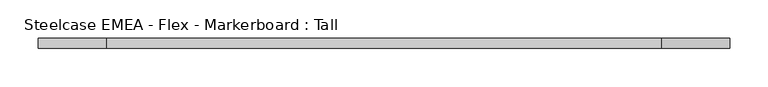
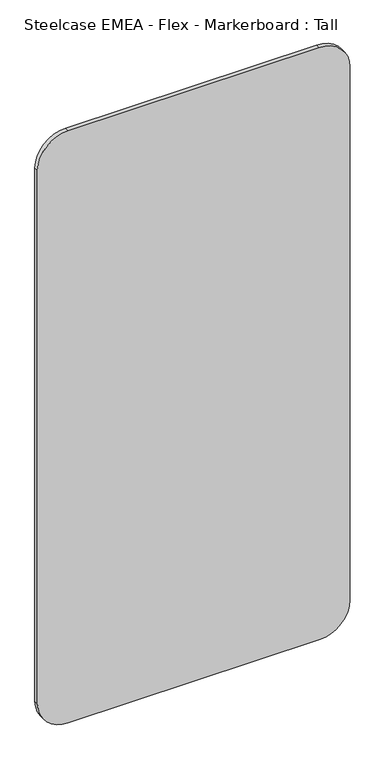
"""IFC4 building model written with IfcOpenShell, lengths in millimetres: furniture geometry, Steelcase EMEA - Flex - Markerboard : Tall."""

from ifc_helpers import new_model, si_unit, point, frame, frame_2d, origin, place, context, project, spatial, polyline, circle_curve, trimmed, segment, composite_curve, outline, extrude, source, transform, mapped, element, save


def steelcase_emea_flex_markerboard_tall_fc9939d6(model_context):
    return source(origin(), model_context, "Body", "SweptSolid", [
        extrude(outline(composite_curve([segment(polyline([(1800.0, 811.1), (1800.0, 88.9)]), True, "CONTINUOUS"), segment(trimmed(circle_curve(frame_2d((1711.1, 88.9)), 88.9), [point((1800.0, 88.9))], [point((1711.1, 0.0))], False, "CARTESIAN"), True, "CONTINUOUS"), segment(polyline([(1711.1, 0.0), (88.9, 0.0)]), True, "CONTINUOUS"), segment(trimmed(circle_curve(frame_2d((88.9, 88.9)), 88.9), [point((88.9, 0.0))], [point((0.0, 88.9))], False, "CARTESIAN"), True, "CONTINUOUS"), segment(polyline([(0.0, 88.9), (0.0, 811.1)]), True, "CONTINUOUS"), segment(trimmed(circle_curve(frame_2d((88.9, 811.1)), 88.9), [point((0.0, 811.1))], [point((88.9, 900.0))], False, "CARTESIAN"), True, "CONTINUOUS"), segment(polyline([(88.9, 900.0), (1711.1, 900.0)]), True, "CONTINUOUS"), segment(trimmed(circle_curve(frame_2d((1711.1, 811.1)), 88.9), [point((1711.1, 900.0))], [point((1800.0, 811.1))], False, "CARTESIAN"), True, "CONTINUOUS")], self_intersect=False)), frame((0.0, -12.6933061, 0.0), z_axis=(0.0, 1.0, 0.0), x_axis=(0.0, 0.0, 1.0)), (0.0, 0.0, 1.0), 12.6933061),
    ])


if __name__ == "__main__":
    model = new_model("IFC4")
    model_context = context("Model", 3, world=origin())
    ifc_project = project(units=[si_unit("LENGTHUNIT", "METRE", prefix="MILLI")], contexts=[model_context])
    site = spatial("IfcSite", under=ifc_project)
    building = spatial("IfcBuilding", under=site)
    placement = place(None, origin())
    steelcase_emea_flex_markerboard_tall_shape = steelcase_emea_flex_markerboard_tall_fc9939d6(model_context)
    element("IfcFurniture", 1, ObjectType="Steelcase EMEA - Flex - Markerboard : Tall", at=placement, inside=building, context=model_context, shape_type="MappedRepresentation", body=[
        mapped(steelcase_emea_flex_markerboard_tall_shape, transform((0.0, 0.0, 0.0), x_axis=(1.0, 0.0, 0.0), y_axis=(0.0, 1.0, 0.0), z_axis=(0.0, 0.0, 1.0))),
    ])
    save(model, "model.ifc")
